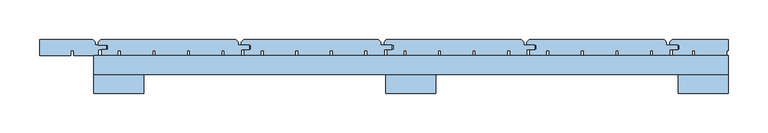
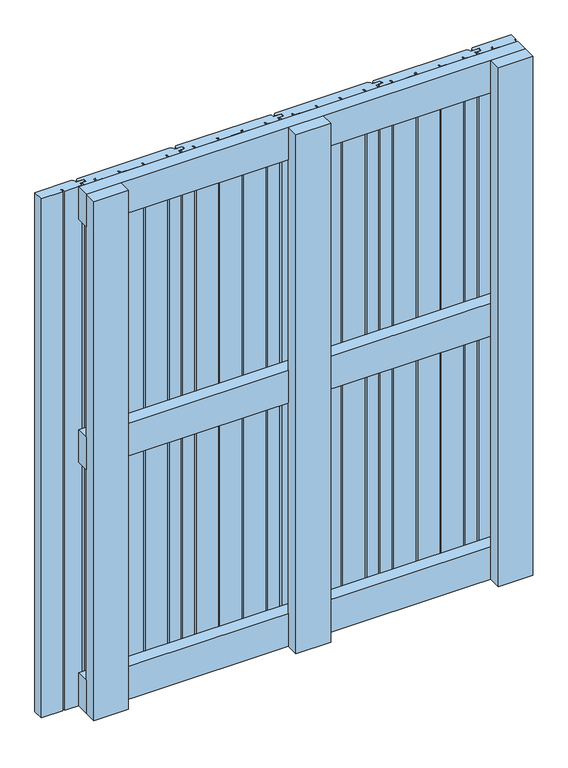
"""IFC4 building model written with IfcOpenShell, lengths in millimetres: window geometry."""

from ifc_helpers import new_model, si_unit, frame, origin, place, context, project, spatial, polyline, outline, extrude, source, transform, mapped, element, save


def window_8fbf81a0(model_context):
    return source(origin(), model_context, "Body", "SweptSolid", [
        extrude(outline(polyline([(400.0, 60.1), (400.0, 36.1), (-400.0, 36.1), (-400.0, 60.1), (400.0, 60.1)])), frame((0.0, 0.0, 568.5), z_axis=(0.0, 0.0, 1.0), x_axis=(1.0, 0.0, 0.0)), (0.0, 0.0, 1.0), 63.0),
        extrude(outline(polyline([(400.0, 60.0), (400.0, 36.0), (-400.0, 36.0), (-400.0, 60.0), (400.0, 60.0)])), frame((0.0, 0.0, 1037.0), z_axis=(0.0, 0.0, 1.0), x_axis=(1.0, 0.0, 0.0)), (0.0, 0.0, 1.0), 63.0),
        extrude(outline(polyline([(400.0, 60.0), (400.0, 36.0), (-400.0, 36.0), (-400.0, 60.0), (400.0, 60.0)])), frame((0.0, 0.0, 100.0), z_axis=(0.0, 0.0, 1.0), x_axis=(1.0, 0.0, 0.0)), (0.0, 0.0, 1.0), 63.0),
        extrude(outline(polyline([(-391.0, 80.0), (-221.0, 80.0), (-218.0, 77.0), (-218.0, 73.0), (-204.0, 73.0), (-204.0, 67.0), (-214.0, 67.0), (-214.0, 60.0), (-235.1278597, 60.0), (-235.1278597, 66.0), (-238.6278597, 66.0), (-238.6278597, 60.0), (-278.6889298, 60.0), (-278.6889298, 66.0), (-282.1889298, 66.0), (-282.1889298, 60.0), (-322.25, 60.0), (-322.25, 66.0), (-325.75, 66.0), (-325.75, 60.0), (-365.8110702, 60.0), (-365.8110702, 66.0), (-369.3110702, 66.0), (-369.3110702, 60.0), (-390.0, 60.0), (-390.0, 67.0), (-382.0, 67.0), (-382.0, 73.0), (-394.0, 73.0), (-394.0, 77.0), (-391.0, 80.0)])), frame((0.0, 0.0, 100.0), z_axis=(0.0, 0.0, 1.0), x_axis=(1.0, 0.0, 0.0)), (0.0, 0.0, 1.0), 1000.0),
        extrude(outline(polyline([(-211.0, 80.0), (-41.0, 80.0), (-38.0, 77.0), (-38.0, 73.0), (-24.0, 73.0), (-24.0, 67.0), (-34.0, 67.0), (-34.0, 60.0), (-55.1278597, 60.0), (-55.1278597, 66.0), (-58.6278597, 66.0), (-58.6278597, 60.0), (-98.6889298, 60.0), (-98.6889298, 66.0), (-102.1889298, 66.0), (-102.1889298, 60.0), (-142.25, 60.0), (-142.25, 66.0), (-145.75, 66.0), (-145.75, 60.0), (-185.8110702, 60.0), (-185.8110702, 66.0), (-189.3110702, 66.0), (-189.3110702, 60.0), (-210.0, 60.0), (-210.0, 67.0), (-202.0, 67.0), (-202.0, 73.0), (-214.0, 73.0), (-214.0, 77.0), (-211.0, 80.0)])), frame((0.0, 0.0, 100.0), z_axis=(0.0, 0.0, 1.0), x_axis=(1.0, 0.0, 0.0)), (0.0, 0.0, 1.0), 1000.0),
        extrude(outline(polyline([(-31.0, 80.0), (139.0, 80.0), (142.0, 77.0), (142.0, 73.0), (156.0, 73.0), (156.0, 67.0), (146.0, 67.0), (146.0, 60.0), (124.8721403, 60.0), (124.8721403, 66.0), (121.3721403, 66.0), (121.3721403, 60.0), (81.3110702, 60.0), (81.3110702, 66.0), (77.8110702, 66.0), (77.8110702, 60.0), (37.75, 60.0), (37.75, 66.0), (34.25, 66.0), (34.25, 60.0), (-5.8110702, 60.0), (-5.8110702, 66.0), (-9.3110702, 66.0), (-9.3110702, 60.0), (-30.0, 60.0), (-30.0, 67.0), (-22.0, 67.0), (-22.0, 73.0), (-34.0, 73.0), (-34.0, 77.0), (-31.0, 80.0)])), frame((0.0, 0.0, 100.0), z_axis=(0.0, 0.0, 1.0), x_axis=(1.0, 0.0, 0.0)), (0.0, 0.0, 1.0), 1000.0),
        extrude(outline(polyline([(149.0, 80.0), (319.0, 80.0), (322.0, 77.0), (322.0, 73.0), (336.0, 73.0), (336.0, 67.0), (326.0, 67.0), (326.0, 60.0), (304.8721403, 60.0), (304.8721403, 66.0), (301.3721403, 66.0), (301.3721403, 60.0), (261.3110702, 60.0), (261.3110702, 66.0), (257.8110702, 66.0), (257.8110702, 60.0), (217.75, 60.0), (217.75, 66.0), (214.25, 66.0), (214.25, 60.0), (174.1889298, 60.0), (174.1889298, 66.0), (170.6889298, 66.0), (170.6889298, 60.0), (150.0, 60.0), (150.0, 67.0), (158.0, 67.0), (158.0, 73.0), (146.0, 73.0), (146.0, 77.0), (149.0, 80.0)])), frame((0.0, 0.0, 100.0), z_axis=(0.0, 0.0, 1.0), x_axis=(1.0, 0.0, 0.0)), (0.0, 0.0, 1.0), 1000.0),
        extrude(outline(polyline([(-468.0, 80.0), (-401.0, 80.0), (-398.0, 77.0), (-398.0, 73.0), (-384.0, 73.0), (-384.0, 67.0), (-394.0, 67.0), (-394.0, 60.0), (-425.1278597, 60.0), (-425.1278597, 66.0), (-428.6278597, 66.0), (-428.6278597, 60.0), (-468.0, 60.0), (-468.0, 80.0)])), frame((0.0, 0.0, 100.0), z_axis=(0.0, 0.0, 1.0), x_axis=(1.0, 0.0, 0.0)), (0.0, 0.0, 1.0), 1000.0),
        extrude(outline(polyline([(329.0, 80.0), (400.0, 80.0), (400.0, 66.0), (397.8110702, 66.0), (397.8110702, 60.0), (357.75, 60.0), (357.75, 66.0), (354.25, 66.0), (354.25, 60.0), (330.0, 60.0), (330.0, 67.0), (338.0, 67.0), (338.0, 73.0), (326.0, 73.0), (326.0, 77.0), (329.0, 80.0)])), frame((0.0, 0.0, 100.0), z_axis=(0.0, 0.0, 1.0), x_axis=(1.0, 0.0, 0.0)), (0.0, 0.0, 1.0), 1000.0),
        extrude(outline(polyline([(-31.5, 36.1), (31.5, 36.1), (31.5, 12.1), (-31.5, 12.1), (-31.5, 36.1)])), frame((0.0, 0.0, 100.0), z_axis=(0.0, 0.0, 1.0), x_axis=(1.0, 0.0, 0.0)), (0.0, 0.0, 1.0), 1000.0),
        extrude(outline(polyline([(-400.0, 36.0), (-337.0, 36.0), (-337.0, 12.0), (-400.0, 12.0), (-400.0, 36.0)])), frame((0.0, 0.0, 100.0), z_axis=(0.0, 0.0, 1.0), x_axis=(1.0, 0.0, 0.0)), (0.0, 0.0, 1.0), 1000.0),
        extrude(outline(polyline([(337.0, 36.0), (400.0, 36.0), (400.0, 12.0), (337.0, 12.0), (337.0, 36.0)])), frame((0.0, 0.0, 100.0), z_axis=(0.0, 0.0, 1.0), x_axis=(1.0, 0.0, 0.0)), (0.0, 0.0, 1.0), 1000.0),
    ])


if __name__ == "__main__":
    model = new_model("IFC4")
    model_context = context("Model", 3, world=origin())
    ifc_project = project(units=[si_unit("LENGTHUNIT", "METRE", prefix="MILLI")], contexts=[model_context])
    site = spatial("IfcSite", under=ifc_project)
    building = spatial("IfcBuilding", under=site)
    placement = place(None, origin())
    window_shape = window_8fbf81a0(model_context)
    element("IfcWindow", 1, at=placement, inside=building, context=model_context, shape_type="MappedRepresentation", body=[
        mapped(window_shape, transform((0.0, 0.0, 0.0), x_axis=(1.0, 0.0, 0.0), y_axis=(0.0, 1.0, 0.0), z_axis=(0.0, 0.0, 1.0))),
    ])
    save(model, "model.ifc")
